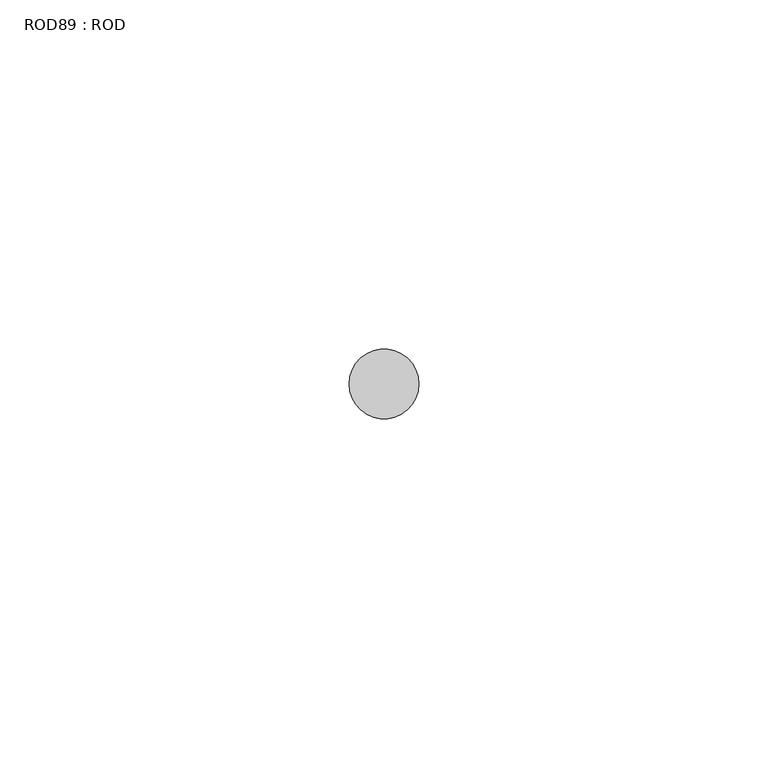
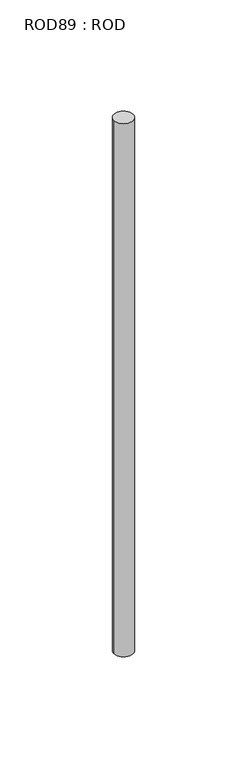
"""IFC4 building model written with IfcOpenShell, lengths in millimetres: proxy geometry, ROD89 : ROD."""

from ifc_helpers import new_model, si_unit, point, frame, frame_2d, origin, place, context, project, spatial, circle_curve, trimmed, segment, composite_curve, outline, extrude, source, transform, mapped, element, save


def rod89_rod_ecb26e09(model_context):
    return source(origin(), model_context, "Body", "SweptSolid", [
        extrude(outline(composite_curve([segment(trimmed(circle_curve(frame_2d((-8820.2326676, -12414.6300853)), 5.0), [point((-8825.2326676, -12414.6300853))], [point((-8815.2326676, -12414.6300853))], False, "CARTESIAN"), True, "CONTINUOUS"), segment(trimmed(circle_curve(frame_2d((-8820.2326676, -12414.6300853)), 5.0), [point((-8815.2326676, -12414.6300853))], [point((-8825.2326676, -12414.6300853))], False, "CARTESIAN"), True, "CONTINUOUS")], self_intersect=False)), frame((0.0, 0.0, -208.6608845), z_axis=(0.0, 0.0, 1.0), x_axis=(1.0, 0.0, 0.0)), (0.0, 0.0, 1.0), 298.9028972),
    ])


if __name__ == "__main__":
    model = new_model("IFC4")
    model_context = context("Model", 3, world=origin())
    ifc_project = project(units=[si_unit("LENGTHUNIT", "METRE", prefix="MILLI")], contexts=[model_context])
    site = spatial("IfcSite", under=ifc_project)
    building = spatial("IfcBuilding", under=site)
    placement = place(None, origin())
    rod89_rod_shape = rod89_rod_ecb26e09(model_context)
    element("IfcBuildingElementProxy", 1, Name="ROD89 : ROD", ObjectType="ROD89 : ROD", at=placement, inside=building, context=model_context, shape_type="MappedRepresentation", body=[
        mapped(rod89_rod_shape, transform((0.0, 0.0, 0.0), x_axis=(1.0, 0.0, 0.0), y_axis=(0.0, 1.0, 0.0), z_axis=(0.0, 0.0, 1.0))),
    ])
    save(model, "model.ifc")
